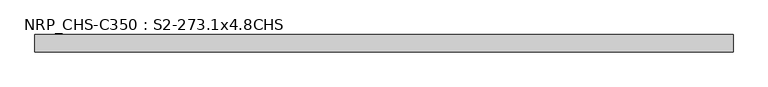
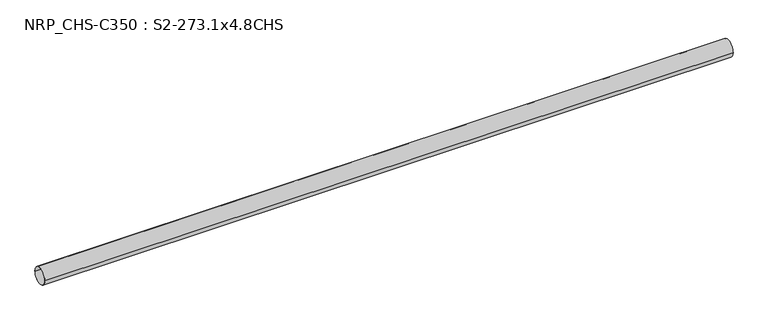
"""IFC4 building model written with IfcOpenShell, lengths in millimetres: beam geometry, NRP_CHS-C350 : S2-273.1x4.8CHS."""

from ifc_helpers import new_model, si_unit, point, frame, origin, origin_2d, place, context, project, spatial, circle_curve, trimmed, segment, composite_curve, outline, extrude, source, transform, mapped, element, save


def nrp_chs_c350_s2_273_1x4_8chs_aa0c4e4f(model_context):
    return source(origin(), model_context, "Body", "SweptSolid", [
        extrude(outline(composite_curve([segment(trimmed(circle_curve(origin_2d(), 136.55), [point((136.55, 0.0))], [point((-136.55, 0.0))], False, "CARTESIAN"), True, "CONTINUOUS"), segment(trimmed(circle_curve(origin_2d(), 136.55), [point((-136.55, 0.0))], [point((136.55, 0.0))], False, "CARTESIAN"), True, "CONTINUOUS")], self_intersect=False), holes=[composite_curve([segment(trimmed(circle_curve(origin_2d(), 131.75), [point((-131.75, 0.0))], [point((131.75, 0.0))], True, "CARTESIAN"), True, "CONTINUOUS"), segment(trimmed(circle_curve(origin_2d(), 131.75), [point((131.75, 0.0))], [point((-131.75, 0.0))], True, "CARTESIAN"), True, "CONTINUOUS")], self_intersect=False)]), frame((-5512.3, 0.0, 0.0), z_axis=(1.0, 0.0, 0.0), x_axis=(0.0, 1.0, 0.0)), (0.0, 0.0, 1.0), 11037.3),
    ])


if __name__ == "__main__":
    model = new_model("IFC4")
    model_context = context("Model", 3, world=origin())
    ifc_project = project(units=[si_unit("LENGTHUNIT", "METRE", prefix="MILLI")], contexts=[model_context])
    site = spatial("IfcSite", under=ifc_project)
    building = spatial("IfcBuilding", under=site)
    placement = place(None, origin())
    nrp_chs_c350_s2_273_1x4_8chs_shape = nrp_chs_c350_s2_273_1x4_8chs_aa0c4e4f(model_context)
    element("IfcBeam", 1, ObjectType="NRP_CHS-C350 : S2-273.1x4.8CHS", at=placement, inside=building, context=model_context, shape_type="MappedRepresentation", body=[
        mapped(nrp_chs_c350_s2_273_1x4_8chs_shape, transform((0.0, 0.0, 0.0), x_axis=(1.0, 0.0, 0.0), y_axis=(0.0, 1.0, 0.0), z_axis=(0.0, 0.0, 1.0))),
    ])
    save(model, "model.ifc")
